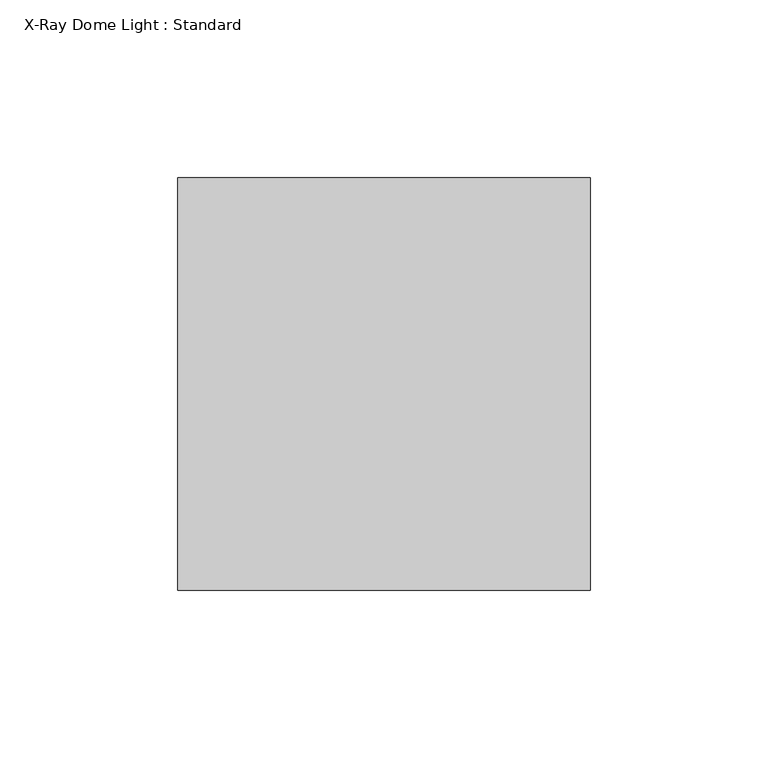
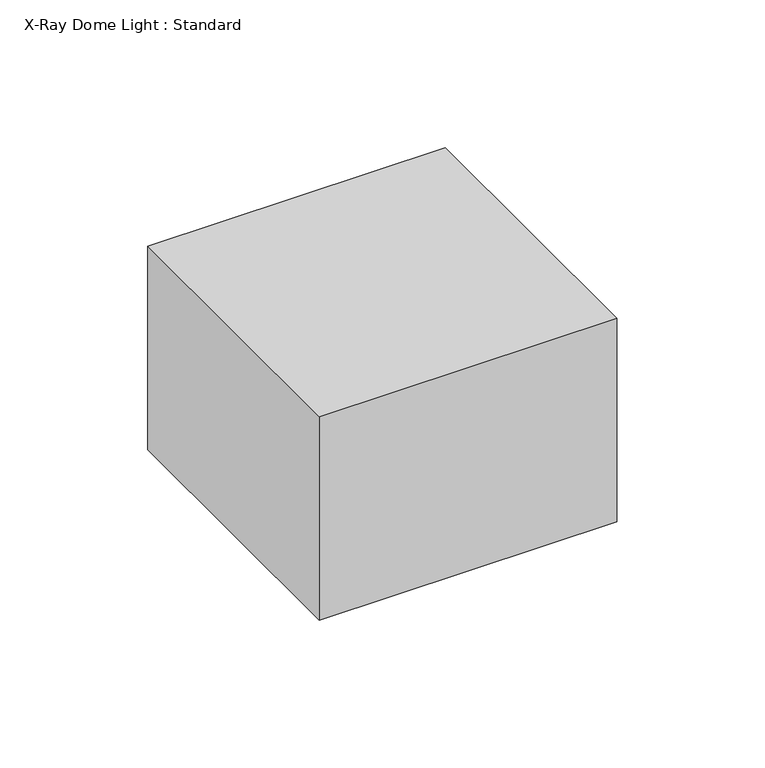
"""IFC4 building model written with IfcOpenShell, lengths in millimetres: switching device geometry, X-Ray Dome Light : Standard."""

from ifc_helpers import new_model, si_unit, origin, origin_with_axes, place, context, project, spatial, polyline, outline, extrude, source, transform, mapped, element, save


def x_ray_dome_light_standard_acc1adff(model_context):
    return source(origin(), model_context, "Body", "SweptSolid", [
        extrude(outline(polyline([(57.94375, 0.0), (57.94375, -115.8875), (-57.94375, -115.8875), (-57.94375, 0.0), (57.94375, 0.0)])), origin_with_axes(), (0.0, 0.0, 1.0), 83.8398437),
    ])


if __name__ == "__main__":
    model = new_model("IFC4")
    model_context = context("Model", 3, world=origin())
    ifc_project = project(units=[si_unit("LENGTHUNIT", "METRE", prefix="MILLI")], contexts=[model_context])
    site = spatial("IfcSite", under=ifc_project)
    building = spatial("IfcBuilding", under=site)
    placement = place(None, origin())
    x_ray_dome_light_standard_shape = x_ray_dome_light_standard_acc1adff(model_context)
    element("IfcSwitchingDevice", 1, ObjectType="X-Ray Dome Light : Standard", at=placement, inside=building, context=model_context, shape_type="MappedRepresentation", body=[
        mapped(x_ray_dome_light_standard_shape, transform((0.0, 0.0, 0.0), x_axis=(1.0, 0.0, 0.0), y_axis=(0.0, 1.0, 0.0), z_axis=(0.0, 0.0, 1.0))),
    ])
    save(model, "model.ifc")
